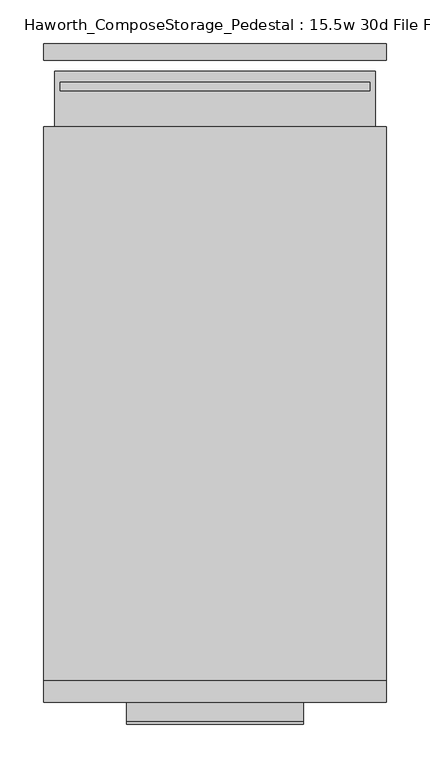
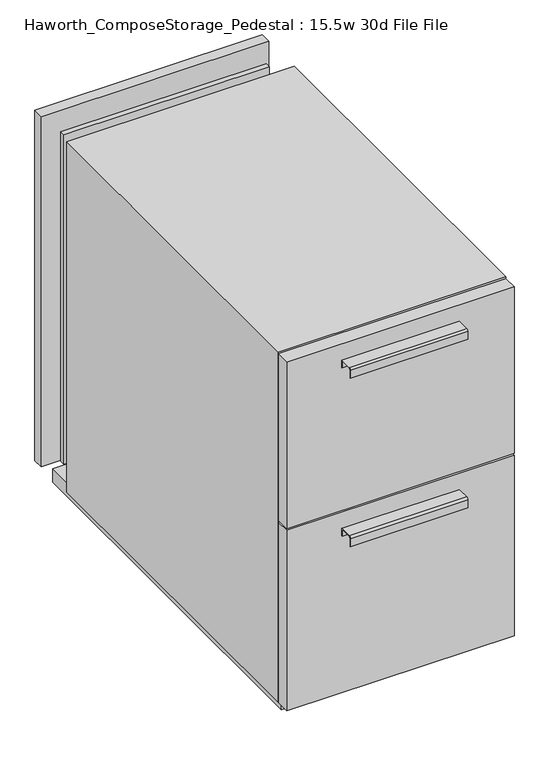
"""IFC4 building model written with IfcOpenShell, lengths in millimetres: furniture geometry, Haworth_ComposeStorage_Pedestal : 15.5w 30d File File."""

from ifc_helpers import new_model, si_unit, point, frame, frame_2d, origin, origin_with_axes, place, context, project, spatial, polyline, circle_curve, trimmed, segment, composite_curve, outline, extrude, source, transform, mapped, element, save


def haworth_composestorage_pedestal_15_5w_30d_file_file_0eed06c3(model_context):
    return source(origin(), model_context, "Body", "SweptSolid", [
        extrude(outline(composite_curve([segment(polyline([(-352.4250242, 633.9919215), (-330.2, 633.9919215), (-330.2, 620.5299525), (-330.9937742, 620.5299525), (-330.9937742, 633.1982199), (-352.4250242, 633.1982199)]), True, "CONTINUOUS"), segment(trimmed(circle_curve(frame_2d((-352.4250242, 630.8142808)), 2.3839392), [point((-352.4250242, 633.1982199))], [point((-354.8089634, 630.8142808))], True, "CARTESIAN"), True, "CONTINUOUS"), segment(polyline([(-354.8089634, 630.8142808), (-354.8089634, 616.2119021), (-355.5999758, 616.2119021), (-355.5999758, 630.8169699)]), True, "CONTINUOUS"), segment(trimmed(circle_curve(frame_2d((-352.4250242, 630.8169699)), 3.1749516), [point((-355.5999758, 630.8169699))], [point((-352.4250242, 633.9919215))], False, "CARTESIAN"), True, "CONTINUOUS")], self_intersect=False)), frame((-101.5861094, 0.0, 0.0), z_axis=(1.0, 0.0, 0.0), x_axis=(0.0, 1.0, 0.0)), (0.0, 0.0, 1.0), 203.2),
        extrude(outline(polyline([(196.8638906, -304.8), (196.8638906, -330.2), (-196.8361094, -330.2), (-196.8361094, -304.8), (196.8638906, -304.8)])), frame((0.0, 0.0, 358.775), z_axis=(0.0, 0.0, 1.0), x_axis=(1.0, 0.0, 0.0)), (0.0, 0.0, 1.0), 304.8),
        extrude(outline(composite_curve([segment(polyline([(-352.4250242, 326.0169215), (-330.2, 326.0169215), (-330.2, 312.5549525), (-330.9937742, 312.5549525), (-330.9937742, 325.2232199), (-352.4250242, 325.2232199)]), True, "CONTINUOUS"), segment(trimmed(circle_curve(frame_2d((-352.4250242, 322.8392808)), 2.3839392), [point((-352.4250242, 325.2232199))], [point((-354.8089634, 322.8392808))], True, "CARTESIAN"), True, "CONTINUOUS"), segment(polyline([(-354.8089634, 322.8392808), (-354.8089634, 308.2369021), (-355.5999758, 308.2369021), (-355.5999758, 322.8419699)]), True, "CONTINUOUS"), segment(trimmed(circle_curve(frame_2d((-352.4250242, 322.8419699)), 3.1749516), [point((-355.5999758, 322.8419699))], [point((-352.4250242, 326.0169215))], False, "CARTESIAN"), True, "CONTINUOUS")], self_intersect=False)), frame((-101.5861094, 0.0, 0.0), z_axis=(1.0, 0.0, 0.0), x_axis=(0.0, 1.0, 0.0)), (0.0, 0.0, 1.0), 203.2),
        extrude(outline(polyline([(196.8638906, -304.8), (196.8638906, -330.2), (-196.8361094, -330.2), (-196.8361094, -304.8), (196.8638906, -304.8)])), frame((0.0, 0.0, 25.4), z_axis=(0.0, 0.0, 1.0), x_axis=(1.0, 0.0, 0.0)), (0.0, 0.0, 1.0), 330.2),
        extrude(outline(polyline([(196.8638906, 406.4), (-196.8361094, 406.4), (-196.8361094, 425.45), (196.8638906, 425.45), (196.8638906, 406.4)])), frame((0.0, 0.0, 25.4), z_axis=(0.0, 0.0, 1.0), x_axis=(1.0, 0.0, 0.0)), (0.0, 0.0, 1.0), 641.35),
        extrude(outline(polyline([(25.4, -196.8361094), (25.4, 196.8638906), (666.75, 196.8638906), (666.75, -196.8361094), (25.4, -196.8361094)]), holes=[polyline([(44.45, -177.7861094), (647.7, -177.7861094), (647.7, 177.8069453), (44.45, 177.8069453), (44.45, -177.7861094)])]), frame((0.0, -304.8, 0.0), z_axis=(0.0, 1.0, 0.0), x_axis=(0.0, 0.0, 1.0)), (0.0, 0.0, 1.0), 635.0),
        extrude(outline(polyline([(-177.7791641, 371.475), (-177.7791641, 381.0), (177.8069453, 381.0), (177.8069453, 371.475), (-177.7791641, 371.475)])), frame((0.0, 0.0, 44.45), z_axis=(0.0, 0.0, 1.0), x_axis=(1.0, 0.0, 0.0)), (0.0, 0.0, 1.0), 603.25),
        extrude(outline(polyline([(184.1638906, -292.1), (-184.1361094, -292.1), (-184.1361094, 393.7), (184.1638906, 393.7), (184.1638906, -292.1)])), origin_with_axes(), (0.0, 0.0, 1.0), 25.4),
    ])


if __name__ == "__main__":
    model = new_model("IFC4")
    model_context = context("Model", 3, world=origin())
    ifc_project = project(units=[si_unit("LENGTHUNIT", "METRE", prefix="MILLI")], contexts=[model_context])
    site = spatial("IfcSite", under=ifc_project)
    building = spatial("IfcBuilding", under=site)
    placement = place(None, origin())
    haworth_composestorage_pedestal_15_5w_30d_file_file_shape = haworth_composestorage_pedestal_15_5w_30d_file_file_0eed06c3(model_context)
    element("IfcFurniture", 1, ObjectType="Haworth_ComposeStorage_Pedestal : 15.5w 30d File File", at=placement, inside=building, context=model_context, shape_type="MappedRepresentation", body=[
        mapped(haworth_composestorage_pedestal_15_5w_30d_file_file_shape, transform((0.0, 0.0, 0.0), x_axis=(1.0, 0.0, 0.0), y_axis=(0.0, 1.0, 0.0), z_axis=(0.0, 0.0, 1.0))),
    ])
    save(model, "model.ifc")
